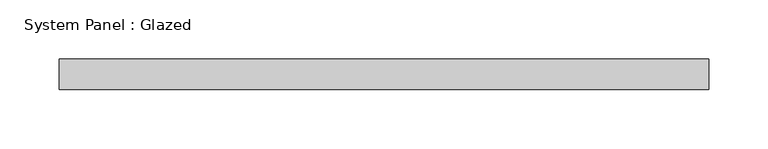
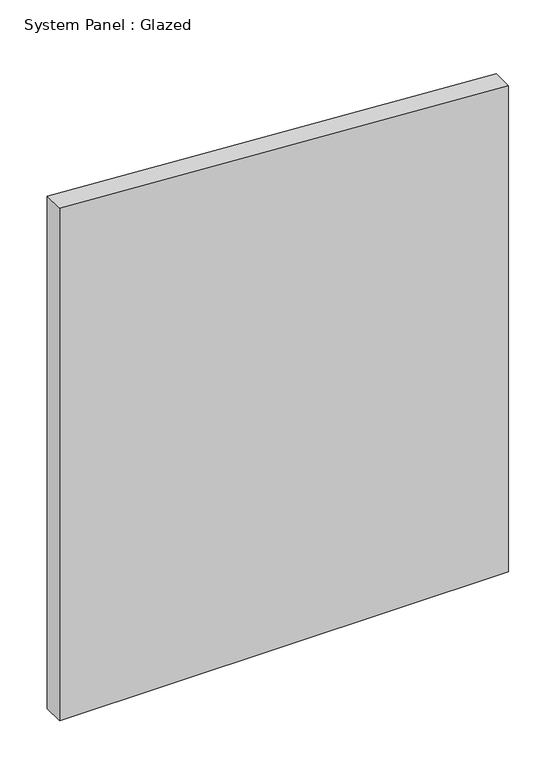
"""IFC4 building model written with IfcOpenShell, lengths in millimetres: plate geometry, System Panel : Glazed."""

from ifc_helpers import new_model, si_unit, frame, origin, place, context, project, spatial, polyline, outline, extrude, source, transform, mapped, element, save


def system_panel_glazed_1fb9d529(model_context):
    return source(origin(), model_context, "Body", "SweptSolid", [
        extrude(outline(polyline([(0.0, -273.05), (0.0, 273.05), (624.8837284, 273.05), (658.655602, -273.05), (0.0, -273.05)])), frame((0.0, 19.05, 0.0), z_axis=(0.0, 1.0, 0.0), x_axis=(0.0, 0.0, 1.0)), (0.0, 0.0, 1.0), 25.4),
    ])


if __name__ == "__main__":
    model = new_model("IFC4")
    model_context = context("Model", 3, world=origin())
    ifc_project = project(units=[si_unit("LENGTHUNIT", "METRE", prefix="MILLI")], contexts=[model_context])
    site = spatial("IfcSite", under=ifc_project)
    building = spatial("IfcBuilding", under=site)
    placement = place(None, origin())
    system_panel_glazed_shape = system_panel_glazed_1fb9d529(model_context)
    element("IfcPlate", 1, ObjectType="System Panel : Glazed", at=placement, inside=building, context=model_context, shape_type="MappedRepresentation", body=[
        mapped(system_panel_glazed_shape, transform((0.0, 0.0, 0.0), x_axis=(1.0, 0.0, 0.0), y_axis=(0.0, 1.0, 0.0), z_axis=(0.0, 0.0, 1.0))),
    ])
    save(model, "model.ifc")
